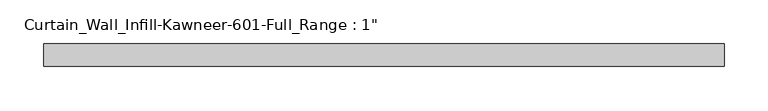
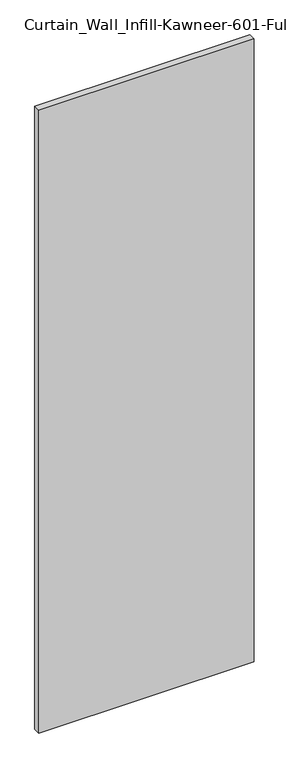
"""IFC4 building model written with IfcOpenShell, lengths in millimetres: plate geometry."""

from ifc_helpers import new_model, si_unit, origin, origin_with_axes, place, context, project, spatial, polyline, outline, extrude, source, transform, mapped, element, save


def plate_c045bf13(model_context):
    return source(origin(), model_context, "Body", "SweptSolid", [
        extrude(outline(polyline([(-386.876925, -12.7), (-386.876925, 12.7), (386.876925, 12.7), (386.876925, -12.7), (-386.876925, -12.7)])), origin_with_axes(), (0.0, 0.0, 1.0), 2368.55),
    ])


if __name__ == "__main__":
    model = new_model("IFC4")
    model_context = context("Model", 3, world=origin())
    ifc_project = project(units=[si_unit("LENGTHUNIT", "METRE", prefix="MILLI")], contexts=[model_context])
    site = spatial("IfcSite", under=ifc_project)
    building = spatial("IfcBuilding", under=site)
    placement = place(None, origin())
    plate_shape = plate_c045bf13(model_context)
    element("IfcPlate", 1, ObjectType="Curtain_Wall_Infill-Kawneer-601-Full_Range : 1\"", at=placement, inside=building, context=model_context, shape_type="MappedRepresentation", body=[
        mapped(plate_shape, transform((0.0, 0.0, 0.0), x_axis=(1.0, 0.0, 0.0), y_axis=(0.0, 1.0, 0.0), z_axis=(0.0, 0.0, 1.0))),
    ])
    save(model, "model.ifc")
